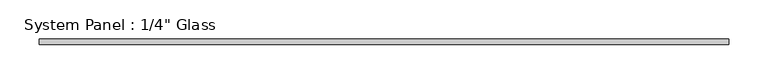
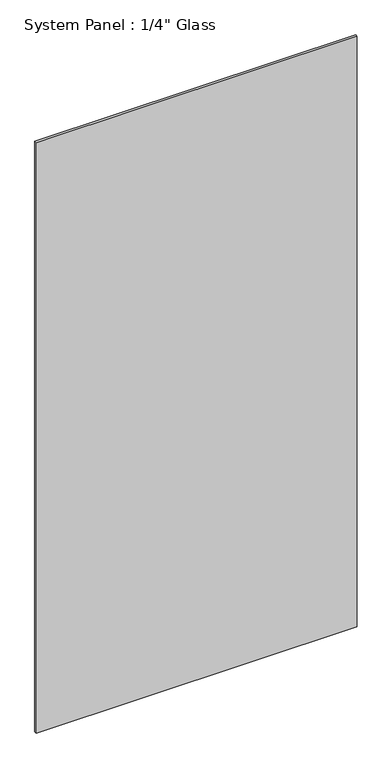
"""IFC4 building model written with IfcOpenShell, lengths in millimetres: plate geometry."""

from ifc_helpers import new_model, si_unit, origin, origin_with_axes, place, context, project, spatial, polyline, outline, extrude, source, transform, mapped, element, save


def plate_91968da2(model_context):
    return source(origin(), model_context, "Body", "SweptSolid", [
        extrude(outline(polyline([(436.2240395, -3.175), (-436.2240395, -3.175), (-436.2240395, 3.175), (436.2240395, 3.175), (436.2240395, -3.175)])), origin_with_axes(), (0.0, 0.0, 1.0), 1695.45),
    ])


if __name__ == "__main__":
    model = new_model("IFC4")
    model_context = context("Model", 3, world=origin())
    ifc_project = project(units=[si_unit("LENGTHUNIT", "METRE", prefix="MILLI")], contexts=[model_context])
    site = spatial("IfcSite", under=ifc_project)
    building = spatial("IfcBuilding", under=site)
    placement = place(None, origin())
    plate_shape = plate_91968da2(model_context)
    element("IfcPlate", 1, ObjectType="System Panel : 1/4\" Glass", at=placement, inside=building, context=model_context, shape_type="MappedRepresentation", body=[
        mapped(plate_shape, transform((0.0, 0.0, 0.0), x_axis=(1.0, 0.0, 0.0), y_axis=(0.0, 1.0, 0.0), z_axis=(0.0, 0.0, 1.0))),
    ])
    save(model, "model.ifc")
